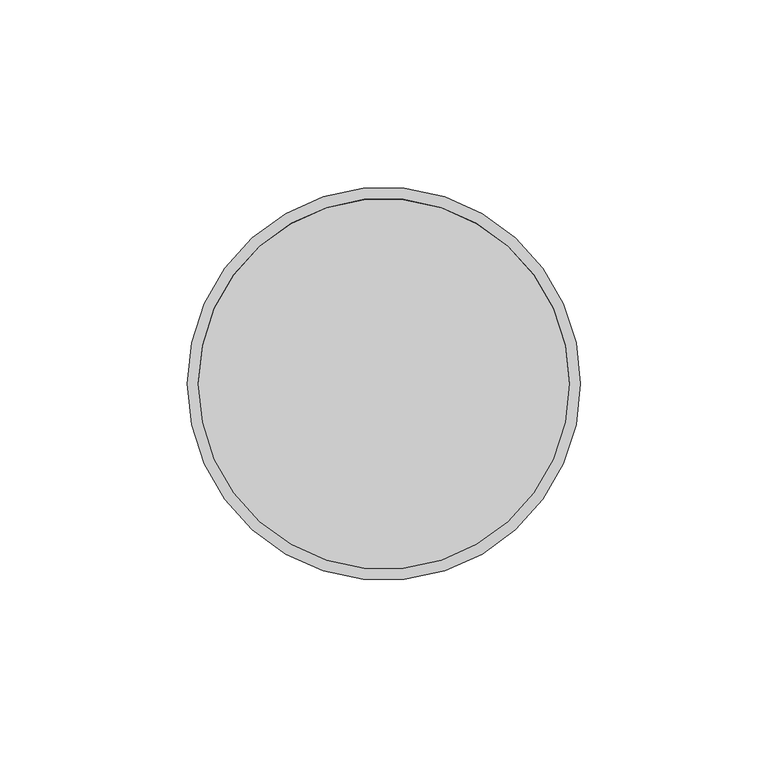
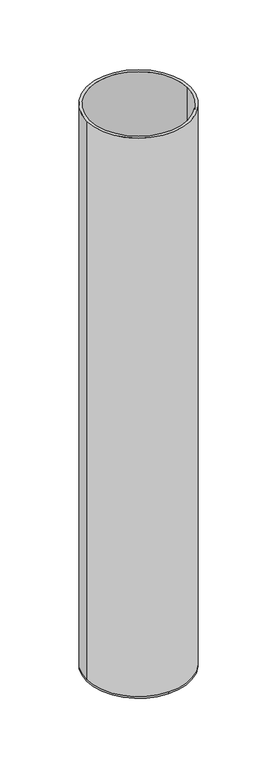
"""IFC4 building model written with IfcOpenShell, lengths in millimetres: beam geometry."""

from ifc_helpers import new_model, si_unit, frame, origin, place, context, project, spatial, polyline, circle_curve, source, transform, mapped, element, save
from ifc_brep_helpers import plane_surface, cylinder_surface, revolved_surface, advanced_brep


def beam_54620e60(model_context):
    return source(origin(), model_context, "Body", "AdvancedBrep", [
        advanced_brep(
        [(52.5, 0.0, 0.0), (-52.5, 0.0, 0.0), (49.5, 0.0, 0.0), (-49.5, 0.0, 0.0), (49.5, 0.0, -598.0), (-49.5, 0.0, -598.0), (52.5, 0.0, -598.0), (0.0, 52.5, -598.0), (-52.5, 0.0, -598.0), (0.0, -52.5, -598.0), (0.0, 52.5, -600.0), (0.0, -52.5, -600.0)],
        [
            (0, 1, circle_curve(frame((0.0, 0.0, 0.0), z_axis=(0.0, 0.0, 1.0), x_axis=(-1.0, 0.0, 0.0)), 52.5)),
            (1, 0, circle_curve(frame((0.0, 0.0, 0.0), z_axis=(0.0, 0.0, 1.0), x_axis=(-1.0, 0.0, 0.0)), 52.5)),
            (2, 3, circle_curve(frame((0.0, 0.0, 0.0), z_axis=(0.0, 0.0, -1.0), x_axis=(-1.0, 0.0, 0.0)), 49.5)),
            (3, 2, circle_curve(frame((0.0, 0.0, 0.0), z_axis=(0.0, 0.0, -1.0), x_axis=(-1.0, 0.0, 0.0)), 49.5)),
            (2, 4),
            (4, 5, circle_curve(frame((0.0, 0.0, -598.0), z_axis=(0.0, 0.0, -1.0), x_axis=(-1.0, 0.0, 0.0)), 49.5)),
            (5, 3),
            (5, 4, circle_curve(frame((0.0, 0.0, -598.0), z_axis=(0.0, 0.0, -1.0), x_axis=(-1.0, 0.0, 0.0)), 49.5)),
            (0, 6),
            (6, 7, circle_curve(frame((0.0, 0.0, -598.0), z_axis=(0.0, 0.0, 1.0), x_axis=(-1.0, 0.0, 0.0)), 52.5)),
            (7, 8, circle_curve(frame((0.0, 0.0, -598.0), z_axis=(0.0, 0.0, 1.0), x_axis=(-1.0, 0.0, 0.0)), 52.5)),
            (8, 1),
            (8, 9, circle_curve(frame((0.0, 0.0, -598.0), z_axis=(0.0, 0.0, 1.0), x_axis=(-1.0, 0.0, 0.0)), 52.5)),
            (9, 6, circle_curve(frame((0.0, 0.0, -598.0), z_axis=(0.0, 0.0, 1.0), x_axis=(-1.0, 0.0, 0.0)), 52.5)),
            (10, 11, circle_curve(frame((0.0, 0.0, -600.0), z_axis=(0.0, 0.0, -1.0), x_axis=(0.0, -1.0, 0.0)), 52.5)),
            (11, 10, circle_curve(frame((0.0, 0.0, -600.0), z_axis=(0.0, 0.0, -1.0), x_axis=(0.0, -1.0, 0.0)), 52.5)),
            (11, 9),
            (7, 10),
        ],
        [
            plane_surface(frame((0.0, 0.0, 0.0), z_axis=(0.0, 0.0, 1.0), x_axis=(0.0, -1.0, 0.0))),
            revolved_surface(polyline([(-49.5, 0.0, 0.0), (-49.5, 0.0, -598.0)]), (0.0, 0.0, -598.0), (0.0, 0.0, 1.0)),
            cylinder_surface(frame((0.0, 0.0, -598.0), z_axis=(0.0, 0.0, -1.0), x_axis=(-1.0, 0.0, 0.0)), 52.5),
            plane_surface(frame((0.0, 0.0, -598.0), z_axis=(0.0, 0.0, 1.0), x_axis=(0.0, -1.0, 0.0))),
            plane_surface(frame((0.0, 0.0, -600.0), z_axis=(0.0, 0.0, -1.0), x_axis=(0.0, -1.0, 0.0))),
            cylinder_surface(frame((0.0, 0.0, -598.0), z_axis=(0.0, 0.0, 1.0), x_axis=(0.0, -1.0, 0.0)), 52.5),
        ],
        [
            (0, [[1, 2], [3, 4]]),
            (1, [[-3, 5, 6, 7]]),
            (1, [[-4, -7, 8, -5]]),
            (2, [[-1, 9, 10, 11, 12]]),
            (2, [[-2, -12, 13, 14, -9]]),
            (3, [[-6, -8]]),
            (4, [[15, 16]]),
            (5, [[-16, 17, -13, -11, 18]]),
            (5, [[-15, -18, -10, -14, -17]]),
        ],
    ),
    ])


if __name__ == "__main__":
    model = new_model("IFC4")
    model_context = context("Model", 3, world=origin())
    ifc_project = project(units=[si_unit("LENGTHUNIT", "METRE", prefix="MILLI")], contexts=[model_context])
    site = spatial("IfcSite", under=ifc_project)
    building = spatial("IfcBuilding", under=site)
    placement = place(None, origin())
    beam_shape = beam_54620e60(model_context)
    element("IfcBeam", 1, at=placement, inside=building, context=model_context, shape_type="MappedRepresentation", body=[
        mapped(beam_shape, transform((0.0, 0.0, 0.0), x_axis=(1.0, 0.0, 0.0), y_axis=(0.0, 1.0, 0.0), z_axis=(0.0, 0.0, 1.0))),
    ])
    save(model, "model.ifc")
